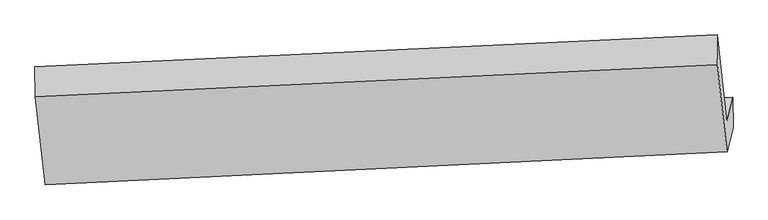
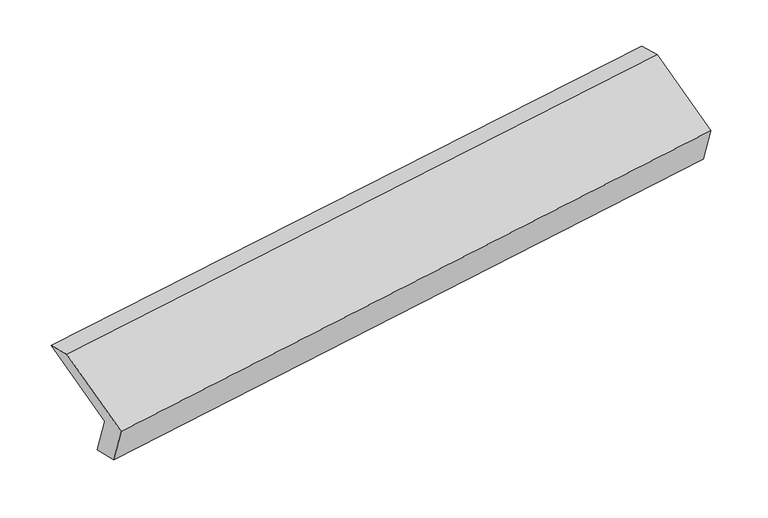
"""IFC4 building model written with IfcOpenShell, lengths in millimetres: proxy geometry."""

from ifc_helpers import new_model, si_unit, frame, origin, place, context, project, spatial, source, transform, mapped, element, save
from ifc_brep_helpers import plane_surface, spline_surface, advanced_brep


def generic_models_3aef6306(model_context):
    return source(origin(), model_context, "Body", "AdvancedBrep", [
        advanced_brep(
        [(-5164.201127, -1597.8136012, 1236.2989092), (-5205.7561875, -1766.7319847, 1585.2179341), (-501.598784, -1547.1498203, 2262.9447741), (-460.0437235, -1378.2314368, 1914.0257493), (-5161.1107908, -1813.5264149, 1284.1752422), (-457.9627959, -1584.9428864, 1966.1395979), (-5202.6658513, -1982.4447985, 1633.0942671), (-499.5178564, -1753.8612699, 2315.0586228), (-5270.8817494, -1374.1320564, 1919.465838), (-566.7243459, -1154.549892, 2597.1926781), (-5272.962677, -1167.4206068, 1867.3519894), (-568.8052735, -947.8384423, 2545.0788294)],
        [
            (0, 1),
            (1, 2),
            (2, 3),
            (3, 0),
            (4, 0),
            (3, 5),
            (5, 4),
            (6, 4),
            (5, 7),
            (7, 6),
            (8, 6),
            (7, 9),
            (9, 8),
            (10, 8),
            (9, 11),
            (11, 10),
            (1, 10),
            (11, 2),
        ],
        [
            plane_surface(frame((-5184.9786573, -1682.272793, 1410.7584217), z_axis=(-0.10301968878245549, 0.9000394781691219, 0.4234570597595711), x_axis=(-0.10658482312118003, -0.4332597718492825, 0.8949444930146979))),
            spline_surface(1, 1, [[(-5161.1107908, -1813.5264149, 1284.1752422), (-457.9627959, -1584.9428864, 1966.1395979)], [(-5164.201127, -1597.8136012, 1236.2989092), (-460.0437235, -1378.2314368, 1914.0257493)]], [2, 2], [2, 2], [0.0, 1.0], [0.0, 1.0]),
            plane_surface(frame((-5181.8883211, -1897.9856067, 1458.6347547), z_axis=(0.10509804056162415, -0.8999385735966257, -0.42316068534656953), x_axis=(0.10658482312119413, 0.4332597718493179, -0.894944493014679))),
            plane_surface(frame((-5236.7738004, -1678.2884274, 1776.2800526), z_axis=(-0.10866363589894247, -0.43335375604252785, 0.8946489458760101), x_axis=(0.10094086353821366, -0.9001364075969351, -0.4237515661170402))),
            plane_surface(frame((-5271.9222132, -1270.7763316, 1893.4089137), z_axis=(-0.14939886900292149, 0.24030207643974774, 0.9591323631279437), x_axis=(0.009760924338664536, -0.9696131827420646, 0.2444483589817255))),
            plane_surface(frame((-5239.3594323, -1467.0762957, 1726.2849617), z_axis=(0.1086636358989407, 0.4333537560425278, -0.8946489458760103), x_axis=(-0.10094086353821366, 0.9001364075969351, 0.4237515661170402))),
            plane_surface(frame((-509.1087965, -1394.428958, 2266.7400419), z_axis=(0.9891666277975536, 0.04517098422175679, 0.13967449529550602), x_axis=(0.10094086353821366, -0.9001364075969351, -0.4237515661170402))),
            plane_surface(frame((-5212.9297305, -1617.0115771, 1587.6006967), z_axis=(-0.9891666277975524, -0.04517098422176571, -0.13967449529550943), x_axis=(0.10658482312119344, 0.4332597718493179, -0.894944493014679))),
        ],
        [
            (0, [[1, 2, 3, 4]]),
            (1, [[5, -4, 6, 7]]),
            (2, [[8, -7, 9, 10]]),
            (3, [[11, -10, 12, 13]]),
            (4, [[14, -13, 15, 16]]),
            (5, [[17, -16, 18, -2]]),
            (6, [[-12, -9, -6, -3, -18, -15]]),
            (7, [[-1, -5, -8, -11, -14, -17]]),
        ],
    ),
    ])


if __name__ == "__main__":
    model = new_model("IFC4")
    model_context = context("Model", 3, world=origin())
    ifc_project = project(units=[si_unit("LENGTHUNIT", "METRE", prefix="MILLI")], contexts=[model_context])
    site = spatial("IfcSite", under=ifc_project)
    building = spatial("IfcBuilding", under=site)
    placement = place(None, origin())
    generic_models_shape = generic_models_3aef6306(model_context)
    element("IfcBuildingElementProxy", 1, Name="Generic Models", at=placement, inside=building, context=model_context, shape_type="MappedRepresentation", body=[
        mapped(generic_models_shape, transform((0.0, 0.0, 0.0), x_axis=(1.0, 0.0, 0.0), y_axis=(0.0, 1.0, 0.0), z_axis=(0.0, 0.0, 1.0))),
    ])
    save(model, "model.ifc")
